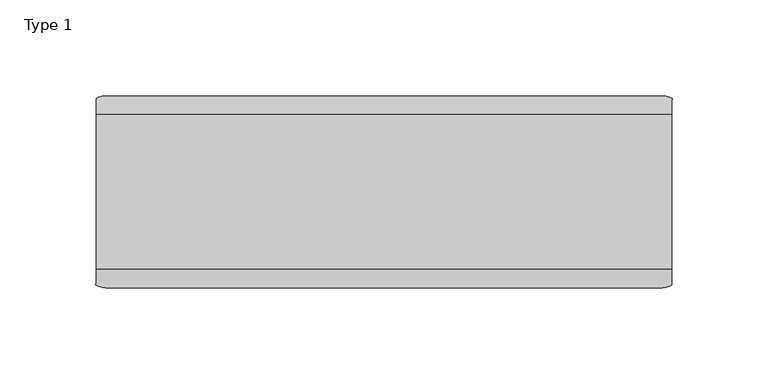
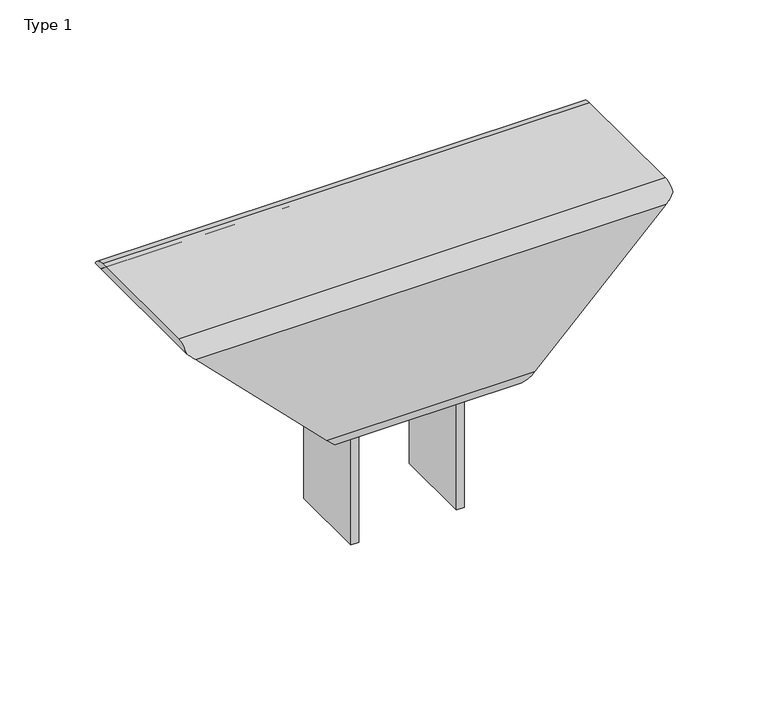
"""IFC4 building model written with IfcOpenShell, lengths in millimetres: proxy geometry, Type 1."""

from ifc_helpers import new_model, si_unit, point, frame, frame_2d, origin, place, context, project, spatial, polyline, circle_curve, ellipse_curve, trimmed, segment, composite_curve, outline, extrude, source, transform, mapped, element, save
from ifc_brep_helpers import plane_surface, cylinder_surface, revolved_surface, advanced_brep


def type_1_d877b690(model_context):
    return source(origin(), model_context, "Body", "SolidModel", [
        extrude(outline(composite_curve([segment(polyline([(90.0, -35.0), (16.0, -35.0), (16.0, -30.0), (90.0, -30.0)]), True, "CONTINUOUS"), segment(trimmed(circle_curve(frame_2d((90.0, -25.0)), 5.0), [point((90.0, -30.0))], [point((95.0, -25.0))], True, "CARTESIAN"), True, "CONTINUOUS"), segment(polyline([(95.0, -25.0), (95.0, 25.0)]), True, "CONTINUOUS"), segment(trimmed(circle_curve(frame_2d((90.0, 25.0)), 5.0), [point((95.0, 25.0))], [point((90.0, 30.0))], True, "CARTESIAN"), True, "CONTINUOUS"), segment(polyline([(90.0, 30.0), (16.0, 30.0), (16.0, 35.0), (90.0, 35.0)]), True, "CONTINUOUS"), segment(trimmed(circle_curve(frame_2d((90.0, 25.0)), 10.0), [point((90.0, 35.0))], [point((100.0, 25.0))], False, "CARTESIAN"), True, "CONTINUOUS"), segment(polyline([(100.0, 25.0), (100.0, -25.0)]), True, "CONTINUOUS"), segment(trimmed(circle_curve(frame_2d((90.0, -25.0)), 10.0), [point((100.0, -25.0))], [point((90.0, -35.0))], False, "CARTESIAN"), True, "CONTINUOUS")], self_intersect=False)), frame((0.0, 222.5, 0.0), z_axis=(0.0, 1.0, 0.0), x_axis=(0.0, 0.0, 1.0)), (0.0, 0.0, 1.0), 50.0),
        advanced_brep(
        [(150.0, 288.0, 200.0), (150.0, 207.0, 200.0), (150.0, 198.9222528, 195.5), (150.0, 207.0, 195.5), (150.0, 288.0, 195.5), (150.0, 296.0777472, 195.5), (-150.0, 207.0, 200.0), (-150.0, 288.0, 200.0), (-150.0, 296.0777472, 195.5), (-150.0, 288.0, 195.5), (-150.0, 207.0, 195.5), (-150.0, 198.9222528, 195.5), (-145.0, 197.5, 190.5), (145.0, 197.5, 190.5), (-64.0, 197.5, 109.5), (64.0, 197.5, 109.5), (-54.5, 207.0, 100.0), (54.5, 207.0, 100.0), (-54.5, 288.0, 100.0), (54.5, 288.0, 100.0), (-64.0, 297.5, 109.5), (64.0, 297.5, 109.5), (-145.0, 297.5, 190.5), (145.0, 297.5, 190.5), (-145.0, 293.0, 190.5), (145.0, 293.0, 190.5), (-64.0, 293.0, 109.5), (64.0, 293.0, 109.5), (-59.0, 288.0, 104.5), (59.0, 288.0, 104.5), (-59.0, 207.0, 104.5), (59.0, 207.0, 104.5), (-64.0, 202.0, 109.5), (64.0, 202.0, 109.5), (-145.0, 202.0, 190.5), (145.0, 202.0, 190.5)],
        [
            (0, 1),
            (1, 2, circle_curve(frame((150.0, 207.0, 190.5), z_axis=(1.0, 0.0, 0.0), x_axis=(0.0, 1.0, 0.0)), 9.5)),
            (2, 3),
            (3, 4),
            (4, 5),
            (5, 0, circle_curve(frame((150.0, 288.0, 190.5), z_axis=(1.0, 0.0, 0.0), x_axis=(0.0, 1.0, 0.0)), 9.5)),
            (6, 7),
            (7, 8, circle_curve(frame((-150.0, 288.0, 190.5), z_axis=(-1.0, 0.0, 0.0), x_axis=(0.0, 1.0, 0.0)), 9.5)),
            (8, 9),
            (9, 10),
            (10, 11),
            (11, 6, circle_curve(frame((-150.0, 207.0, 190.5), z_axis=(-1.0, 0.0, 0.0), x_axis=(0.0, 1.0, 0.0)), 9.5)),
            (1, 6),
            (11, 12, ellipse_curve(frame((-145.0, 207.0, 190.5), z_axis=(0.7071067811865492, 0.0, 0.7071067811865458), x_axis=(0.7071067811865458, 0.0, -0.7071067811865492)), 13.4350288, 9.5)),
            (12, 13),
            (13, 2, ellipse_curve(frame((145.0, 207.0, 190.5), z_axis=(-0.707106781186547, 0.0, 0.707106781186548), x_axis=(0.7071067811865479, 0.0, 0.707106781186547)), 13.4350288, 9.5)),
            (12, 14),
            (14, 15),
            (15, 13),
            (14, 16, ellipse_curve(frame((-64.0, 207.0, 109.5), z_axis=(0.7071067811865492, 0.0, 0.7071067811865458), x_axis=(0.7071067811865458, 0.0, -0.7071067811865492)), 13.4350288, 9.5)),
            (16, 17),
            (17, 15, ellipse_curve(frame((64.0, 207.0, 109.5), z_axis=(-0.707106781186547, 0.0, 0.707106781186548), x_axis=(0.7071067811865479, 0.0, 0.707106781186547)), 13.4350288, 9.5)),
            (16, 18),
            (18, 19),
            (19, 17),
            (18, 20, ellipse_curve(frame((-64.0, 288.0, 109.5), z_axis=(0.7071067811865492, 0.0, 0.7071067811865458), x_axis=(0.7071067811865458, 0.0, -0.7071067811865492)), 13.4350288, 9.5)),
            (20, 21),
            (21, 19, ellipse_curve(frame((64.0, 288.0, 109.5), z_axis=(-0.707106781186547, 0.0, 0.707106781186548), x_axis=(0.7071067811865479, 0.0, 0.707106781186547)), 13.4350288, 9.5)),
            (20, 22),
            (22, 23),
            (23, 21),
            (7, 0),
            (5, 23, ellipse_curve(frame((145.0, 288.0, 190.5), z_axis=(-0.707106781186547, 0.0, 0.707106781186548), x_axis=(0.7071067811865479, 0.0, 0.707106781186547)), 13.4350288, 9.5)),
            (22, 8, ellipse_curve(frame((-145.0, 288.0, 190.5), z_axis=(0.7071067811865492, 0.0, 0.7071067811865458), x_axis=(0.7071067811865458, 0.0, -0.7071067811865492)), 13.4350288, 9.5)),
            (3, 10),
            (9, 4),
            (9, 24, ellipse_curve(frame((-145.0, 288.0, 190.5), z_axis=(-0.7071067811865492, 0.0, -0.7071067811865458), x_axis=(-0.7071067811865458, 0.0, 0.7071067811865492)), 7.0710678, 5.0)),
            (24, 25),
            (25, 4, ellipse_curve(frame((145.0, 288.0, 190.5), z_axis=(0.707106781186547, 0.0, -0.707106781186548), x_axis=(-0.7071067811865479, 0.0, -0.707106781186547)), 7.0710678, 5.0)),
            (24, 26),
            (26, 27),
            (27, 25),
            (26, 28, ellipse_curve(frame((-64.0, 288.0, 109.5), z_axis=(-0.7071067811865492, 0.0, -0.7071067811865458), x_axis=(-0.7071067811865458, 0.0, 0.7071067811865492)), 7.0710678, 5.0)),
            (28, 29),
            (29, 27, ellipse_curve(frame((64.0, 288.0, 109.5), z_axis=(0.707106781186547, 0.0, -0.707106781186548), x_axis=(-0.7071067811865479, 0.0, -0.707106781186547)), 7.0710678, 5.0)),
            (28, 30),
            (30, 31),
            (31, 29),
            (30, 32, ellipse_curve(frame((-64.0, 207.0, 109.5), z_axis=(-0.7071067811865492, 0.0, -0.7071067811865458), x_axis=(-0.7071067811865458, 0.0, 0.7071067811865492)), 7.0710678, 5.0)),
            (32, 33),
            (33, 31, ellipse_curve(frame((64.0, 207.0, 109.5), z_axis=(0.707106781186547, 0.0, -0.707106781186548), x_axis=(-0.7071067811865479, 0.0, -0.707106781186547)), 7.0710678, 5.0)),
            (32, 34),
            (34, 35),
            (35, 33),
            (3, 35, ellipse_curve(frame((145.0, 207.0, 190.5), z_axis=(0.707106781186547, 0.0, -0.707106781186548), x_axis=(-0.7071067811865479, 0.0, -0.707106781186547)), 7.0710678, 5.0)),
            (34, 10, ellipse_curve(frame((-145.0, 207.0, 190.5), z_axis=(-0.7071067811865492, 0.0, -0.7071067811865458), x_axis=(-0.7071067811865458, 0.0, 0.7071067811865492)), 7.0710678, 5.0)),
        ],
        [
            plane_surface(frame((150.0, 216.5, 190.5), z_axis=(1.0, 0.0, 0.0), x_axis=(0.0, 0.0, 1.0))),
            plane_surface(frame((-150.0, 216.5, 190.5), z_axis=(-1.0, 0.0, 0.0), x_axis=(0.0, 0.0, -1.0))),
            cylinder_surface(frame((-150.0, 207.0, 190.5), z_axis=(1.0, 0.0, 0.0), x_axis=(0.0, 1.0, 0.0)), 9.5),
            plane_surface(frame((150.0, 197.5, 190.5), z_axis=(0.0, -1.0, 0.0), x_axis=(-1.0, 0.0, 0.0))),
            cylinder_surface(frame((-150.0, 207.0, 109.5), z_axis=(1.0, 0.0, 0.0), x_axis=(0.0, 1.0, 0.0)), 9.5),
            plane_surface(frame((150.0, 207.0, 100.0), z_axis=(0.0, 0.0, -1.0), x_axis=(-1.0, 0.0, 0.0))),
            cylinder_surface(frame((-150.0, 288.0, 109.5), z_axis=(1.0, 0.0, 0.0), x_axis=(0.0, 1.0, 0.0)), 9.5),
            plane_surface(frame((150.0, 297.5, 109.5), z_axis=(0.0, 1.0, 0.0), x_axis=(-1.0, 0.0, 0.0))),
            cylinder_surface(frame((-150.0, 288.0, 190.5), z_axis=(1.0, 0.0, 0.0), x_axis=(0.0, 1.0, 0.0)), 9.5),
            plane_surface(frame((150.0, 288.0, 200.0), z_axis=(0.0, 0.0, 1.0), x_axis=(-1.0, 0.0, 0.0))),
            plane_surface(frame((150.0, 207.0, 195.5), z_axis=(0.0, 0.0, -1.0), x_axis=(-1.0, 0.0, 0.0))),
            revolved_surface(polyline([(-150.0, 293.0, 190.5), (150.0, 293.0, 190.5)]), (0.0, 288.0, 190.5), (-1.0, 0.0, 0.0)),
            plane_surface(frame((150.0, 293.0, 190.5), z_axis=(0.0, -1.0, 0.0), x_axis=(-1.0, 0.0, 0.0))),
            revolved_surface(polyline([(-68.99999999160983, 293.0, 109.5), (68.99999999160984, 293.0, 109.5)]), (0.0, 288.0, 109.5), (-1.0, 0.0, 0.0)),
            plane_surface(frame((150.0, 288.0, 104.5), z_axis=(0.0, 0.0, 1.0), x_axis=(-1.0, 0.0, 0.0))),
            revolved_surface(polyline([(-68.99999999160983, 212.0, 109.5), (68.99999999160984, 212.0, 109.5)]), (0.0, 207.0, 109.5), (-1.0, 0.0, 0.0)),
            plane_surface(frame((150.0, 202.0, 109.5), z_axis=(0.0, 1.0, 0.0), x_axis=(-1.0, 0.0, 0.0))),
            revolved_surface(polyline([(-150.0, 212.0, 190.5), (150.0, 212.0, 190.5)]), (0.0, 207.0, 190.5), (-1.0, 0.0, 0.0)),
            plane_surface(frame((-54.5, 197.5, 100.0), z_axis=(-0.7071067811865492, 0.0, -0.7071067811865458), x_axis=(0.0, 1.0, 0.0))),
            plane_surface(frame((150.0, 197.5, 195.5), z_axis=(0.707106781186547, 0.0, -0.707106781186548), x_axis=(0.0, 1.0, 0.0))),
        ],
        [
            (0, [[1, 2, 3, 4, 5, 6]]),
            (1, [[7, 8, 9, 10, 11, 12]]),
            (2, [[13, -12, 14, 15, 16, -2]]),
            (3, [[-15, 17, 18, 19]]),
            (4, [[-18, 20, 21, 22]]),
            (5, [[-21, 23, 24, 25]]),
            (6, [[-24, 26, 27, 28]]),
            (7, [[-27, 29, 30, 31]]),
            (8, [[32, -6, 33, -30, 34, -8]]),
            (9, [[-1, -32, -7, -13]]),
            (10, [[-4, 35, -10, 36]]),
            (11, [[-36, 37, 38, 39]]),
            (12, [[-38, 40, 41, 42]]),
            (13, [[-41, 43, 44, 45]]),
            (14, [[-44, 46, 47, 48]]),
            (15, [[-47, 49, 50, 51]]),
            (16, [[-50, 52, 53, 54]]),
            (17, [[-35, 55, -53, 56]]),
            (18, [[-9, -34, -29, -26, -23, -20, -17, -14, -11, -56, -52, -49, -46, -43, -40, -37]]),
            (19, [[-3, -16, -19, -22, -25, -28, -31, -33, -5, -39, -42, -45, -48, -51, -54, -55]]),
        ],
    ),
    ])


if __name__ == "__main__":
    model = new_model("IFC4")
    model_context = context("Model", 3, world=origin())
    ifc_project = project(units=[si_unit("LENGTHUNIT", "METRE", prefix="MILLI")], contexts=[model_context])
    site = spatial("IfcSite", under=ifc_project)
    building = spatial("IfcBuilding", under=site)
    placement = place(None, origin())
    type_1_shape = type_1_d877b690(model_context)
    element("IfcBuildingElementProxy", 1, Name="Type 1", ObjectType="Type 1", at=placement, inside=building, context=model_context, shape_type="MappedRepresentation", body=[
        mapped(type_1_shape, transform((0.0, 0.0, 0.0), x_axis=(1.0, 0.0, 0.0), y_axis=(0.0, 1.0, 0.0), z_axis=(0.0, 0.0, 1.0))),
    ])
    save(model, "model.ifc")
